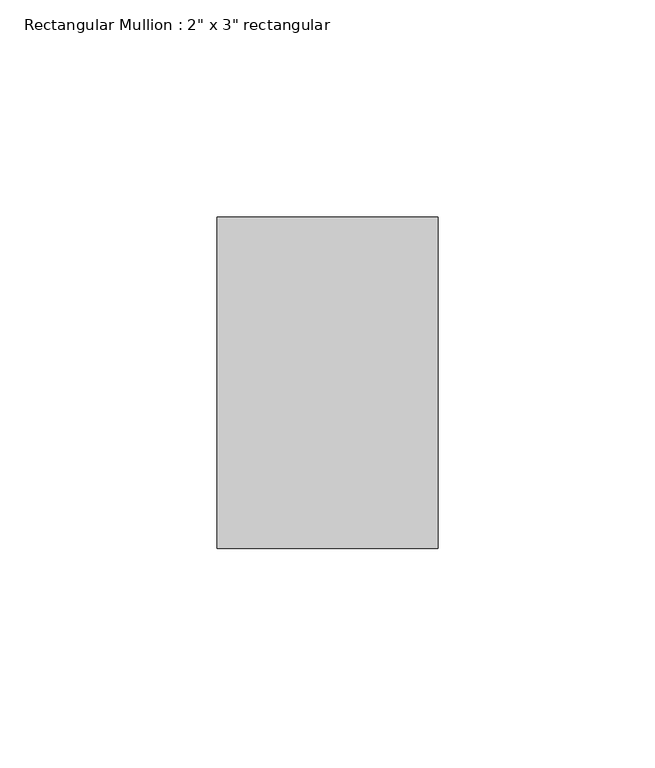
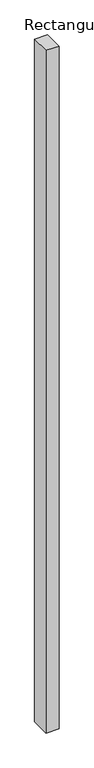
"""IFC4 building model written with IfcOpenShell, lengths in millimetres: member geometry."""

from ifc_helpers import new_model, si_unit, frame, origin, place, context, project, spatial, polyline, outline, extrude, source, transform, mapped, element, save


def member_dbf6db17(model_context):
    return source(origin(), model_context, "Body", "SweptSolid", [
        extrude(outline(polyline([(0.0, 38.1), (0.0, -38.1), (-50.8, -38.1), (-50.8, 38.1), (0.0, 38.1)])), frame((0.0, 0.0, -2819.4), z_axis=(0.0, 0.0, 1.0), x_axis=(1.0, 0.0, 0.0)), (0.0, 0.0, 1.0), 2819.4),
    ])


if __name__ == "__main__":
    model = new_model("IFC4")
    model_context = context("Model", 3, world=origin())
    ifc_project = project(units=[si_unit("LENGTHUNIT", "METRE", prefix="MILLI")], contexts=[model_context])
    site = spatial("IfcSite", under=ifc_project)
    building = spatial("IfcBuilding", under=site)
    placement = place(None, origin())
    member_shape = member_dbf6db17(model_context)
    element("IfcMember", 1, ObjectType="Rectangular Mullion : 2\" x 3\" rectangular", at=placement, inside=building, context=model_context, shape_type="MappedRepresentation", body=[
        mapped(member_shape, transform((0.0, 0.0, 0.0), x_axis=(1.0, 0.0, 0.0), y_axis=(0.0, 1.0, 0.0), z_axis=(0.0, 0.0, 1.0))),
    ])
    save(model, "model.ifc")
